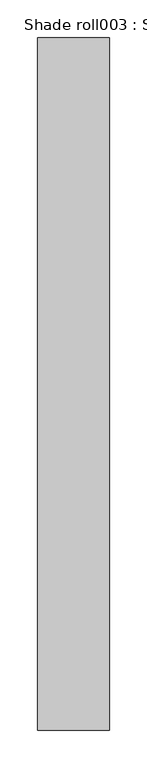
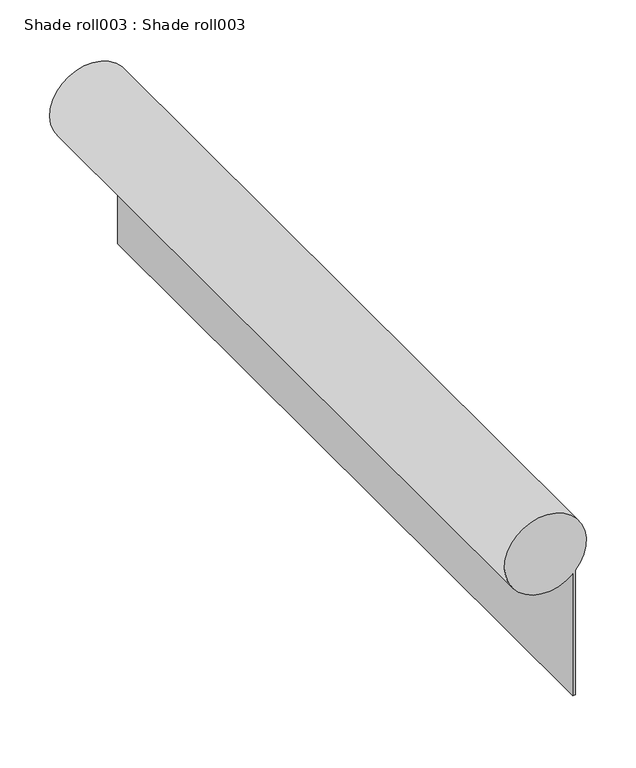
"""IFC4 building model written with IfcOpenShell, lengths in millimetres: proxy geometry, Shade roll003 : Shade roll003."""

from ifc_helpers import new_model, si_unit, point, frame, frame_2d, origin, place, context, project, spatial, polyline, circle_curve, trimmed, segment, composite_curve, outline, extrude, source, transform, mapped, element, save


def shade_roll003_shade_roll003_11f46f66(model_context):
    return source(origin(), model_context, "Body", "SweptSolid", [
        extrude(outline(composite_curve([segment(polyline([(3.1397672, 0.0), (3.1397671, -149.3339525)]), True, "CONTINUOUS"), segment(trimmed(circle_curve(frame_2d((34.7876152, -184.7107429)), 47.4668682), [point((3.1397671, -149.3339525))], [point((-1e-07, -152.4163872))], False, "CARTESIAN"), True, "CONTINUOUS"), segment(polyline([(-1e-07, -152.4163872), (0.0, 0.0), (3.1397672, 0.0)]), True, "CONTINUOUS")], self_intersect=False)), frame((37503.6488944, -18662.4262639, 2836.8239638), z_axis=(0.0, -0.9999999999999929, 1.1920928309331685e-07), x_axis=(-1.0, 0.0, 0.0)), (0.0, 0.0, 1.0), 914.4),
    ])


if __name__ == "__main__":
    model = new_model("IFC4")
    model_context = context("Model", 3, world=origin())
    ifc_project = project(units=[si_unit("LENGTHUNIT", "METRE", prefix="MILLI")], contexts=[model_context])
    site = spatial("IfcSite", under=ifc_project)
    building = spatial("IfcBuilding", under=site)
    placement = place(None, origin())
    shade_roll003_shade_roll003_shape = shade_roll003_shade_roll003_11f46f66(model_context)
    element("IfcBuildingElementProxy", 1, Name="Shade roll003 : Shade roll003", ObjectType="Shade roll003 : Shade roll003", at=placement, inside=building, context=model_context, shape_type="MappedRepresentation", body=[
        mapped(shade_roll003_shade_roll003_shape, transform((0.0, 0.0, 0.0), x_axis=(1.0, 0.0, 0.0), y_axis=(0.0, 1.0, 0.0), z_axis=(0.0, 0.0, 1.0))),
    ])
    save(model, "model.ifc")
